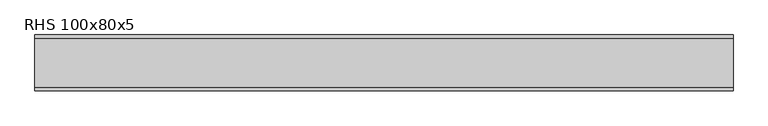
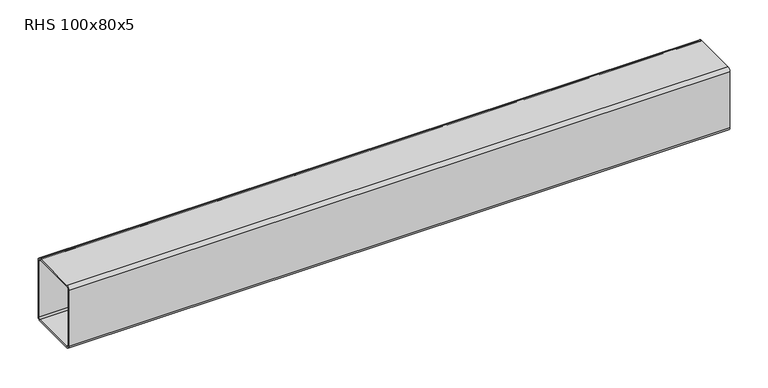
"""IFC4 building model written with IfcOpenShell, lengths in millimetres: beam geometry, RHS 100x80x5."""

from ifc_helpers import new_model, si_unit, point, frame, frame_2d, origin, place, context, project, spatial, polyline, circle_curve, trimmed, segment, composite_curve, outline, extrude, source, transform, mapped, element, save


def rhs_100x80x5_5cd96165(model_context):
    return source(origin(), model_context, "Body", "SweptSolid", [
        extrude(outline(composite_curve([segment(polyline([(40.0, 45.0), (40.0, -45.0)]), True, "CONTINUOUS"), segment(trimmed(circle_curve(frame_2d((35.0, -45.0)), 5.0), [point((40.0, -45.0))], [point((35.0, -50.0))], False, "CARTESIAN"), True, "CONTINUOUS"), segment(polyline([(35.0, -50.0), (-35.0, -50.0)]), True, "CONTINUOUS"), segment(trimmed(circle_curve(frame_2d((-35.0, -45.0)), 5.0), [point((-35.0, -50.0))], [point((-40.0, -45.0))], False, "CARTESIAN"), True, "CONTINUOUS"), segment(polyline([(-40.0, -45.0), (-40.0, 45.0)]), True, "CONTINUOUS"), segment(trimmed(circle_curve(frame_2d((-35.0, 45.0)), 5.0), [point((-40.0, 45.0))], [point((-35.0, 50.0))], False, "CARTESIAN"), True, "CONTINUOUS"), segment(polyline([(-35.0, 50.0), (35.0, 50.0)]), True, "CONTINUOUS"), segment(trimmed(circle_curve(frame_2d((35.0, 45.0)), 5.0), [point((35.0, 50.0))], [point((40.0, 45.0))], False, "CARTESIAN"), True, "CONTINUOUS")], self_intersect=False), holes=[composite_curve([segment(trimmed(circle_curve(frame_2d((-35.0, 45.0)), 2.5), [point((-35.0, 47.5))], [point((-37.5, 45.0))], True, "CARTESIAN"), True, "CONTINUOUS"), segment(polyline([(-37.5, 45.0), (-37.5, -45.0)]), True, "CONTINUOUS"), segment(trimmed(circle_curve(frame_2d((-35.0, -45.0)), 2.5), [point((-37.5, -45.0))], [point((-35.0, -47.5))], True, "CARTESIAN"), True, "CONTINUOUS"), segment(polyline([(-35.0, -47.5), (35.0, -47.5)]), True, "CONTINUOUS"), segment(trimmed(circle_curve(frame_2d((35.0, -45.0)), 2.5), [point((35.0, -47.5))], [point((37.5, -45.0))], True, "CARTESIAN"), True, "CONTINUOUS"), segment(polyline([(37.5, -45.0), (37.5, 45.0)]), True, "CONTINUOUS"), segment(trimmed(circle_curve(frame_2d((35.0, 45.0)), 2.5), [point((37.5, 45.0))], [point((35.0, 47.5))], True, "CARTESIAN"), True, "CONTINUOUS"), segment(polyline([(35.0, 47.5), (-35.0, 47.5)]), True, "CONTINUOUS")], self_intersect=False)]), frame((-500.2125373, 0.0, 0.0), z_axis=(1.0, 0.0, 0.0), x_axis=(0.0, 1.0, 0.0)), (0.0, 0.0, 1.0), 1000.4250747),
    ])


if __name__ == "__main__":
    model = new_model("IFC4")
    model_context = context("Model", 3, world=origin())
    ifc_project = project(units=[si_unit("LENGTHUNIT", "METRE", prefix="MILLI")], contexts=[model_context])
    site = spatial("IfcSite", under=ifc_project)
    building = spatial("IfcBuilding", under=site)
    placement = place(None, origin())
    rhs_100x80x5_shape = rhs_100x80x5_5cd96165(model_context)
    element("IfcBeam", 1, ObjectType="RHS 100x80x5", at=placement, inside=building, context=model_context, shape_type="MappedRepresentation", body=[
        mapped(rhs_100x80x5_shape, transform((0.0, 0.0, 0.0), x_axis=(1.0, 0.0, 0.0), y_axis=(0.0, 1.0, 0.0), z_axis=(0.0, 0.0, 1.0))),
    ])
    save(model, "model.ifc")
